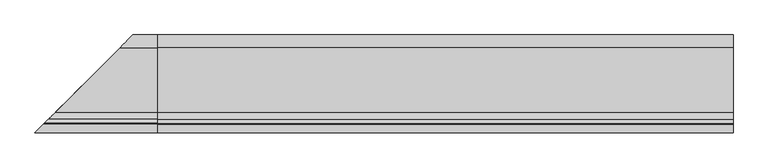
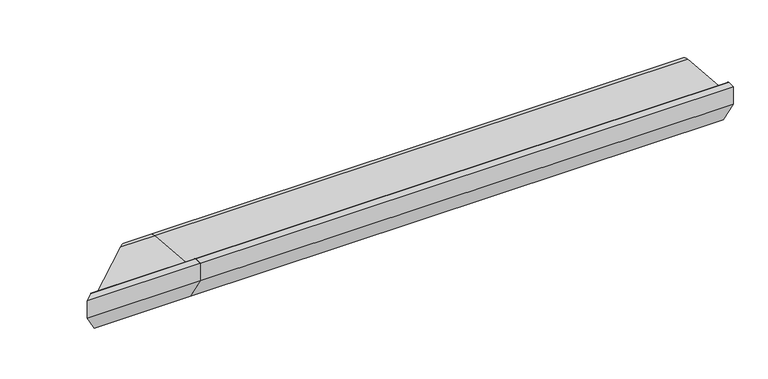
"""IFC4 building model written with IfcOpenShell, lengths in millimetres: proxy geometry."""

from ifc_helpers import new_model, si_unit, point, frame, frame_2d, origin, place, context, project, spatial, polyline, circle_curve, ellipse_curve, trimmed, segment, composite_curve, outline, extrude, source, transform, mapped, element, save
from ifc_brep_helpers import plane_surface, cylinder_surface, revolved_surface, advanced_brep


def generic_models_fa0b3f80(model_context):
    return source(origin(), model_context, "Body", "SolidModel", [
        advanced_brep(
        [(0.0, 28.0858073, 50.4091909), (0.0, -85.0967541, 60.2830933), (0.0, -96.6696696, 68.5358083), (0.0, -103.4717243, 83.8134733), (0.0, -105.2988152, 85.0), (0.0, -120.0, 85.0), (0.0, -120.0, 50.0), (0.0, -88.0, 0.0), (0.0, -76.0, 0.0), (0.0, -75.0, 1.0), (0.0, -75.0, 5.5), (0.0, -73.0, 7.5), (0.0, -35.0, 7.5), (0.0, -33.0, 5.5), (0.0, -33.0, 1.0), (0.0, -32.0, 0.0), (0.0, -0.5773503, 0.0), (0.0, 0.2886751, 0.5), (0.0, 3.7527767, 6.5), (0.0, 5.4848276, 7.5), (0.0, 21.9585481, 7.5), (0.0, 23.6905989, 6.5), (0.0, 25.7072001, 3.0071443), (0.0, 26.5981483, 2.5074549), (0.0, -9.5, 28.9289), (0.0, -9.5, 20.9289), (0.0, -21.5, 20.9289), (0.0, -21.5, 28.9289), (0.0, -51.5, 27.333), (0.0, -39.5, 27.333), (0.0, -84.0, 30.0), (0.0, -72.0, 30.0), (-65.4018517, 26.5981483, 2.5074549), (-63.9141927, 28.0858073, 50.4091909), (-66.2927999, 25.7072001, 3.0071443), (-68.3094011, 23.6905989, 6.5), (-70.0414519, 21.9585481, 7.5), (-86.5151724, 5.4848276, 7.5), (-88.2472233, 3.7527767, 6.5), (-91.7113249, 0.2886751, 0.5), (-92.5773503, -0.5773503, 0.0), (-124.0, -32.0, 0.0), (-125.0, -33.0, 1.0), (-125.0, -33.0, 5.5), (-127.0, -35.0, 7.5), (-165.0, -73.0, 7.5), (-167.0, -75.0, 5.5), (-167.0, -75.0, 1.0), (-168.0, -76.0, 0.0), (-180.0, -88.0, 0.0), (-212.0, -120.0, 50.0), (-212.0, -120.0, 85.0), (-197.2988152, -105.2988152, 85.0), (-195.4717243, -103.4717243, 83.8134733), (-188.6696696, -96.6696696, 68.5358083), (-177.0967541, -85.0967541, 60.2830933), (-113.5, -21.5, 28.9289), (-101.5, -9.5, 28.9289), (-113.5, -21.5, 20.9289), (-101.5, -9.5, 20.9289), (-131.5, -39.5, 27.333), (-143.5, -51.5, 27.333), (-164.0, -72.0, 30.0), (-176.0, -84.0, 30.0)],
        [
            (0, 1),
            (1, 2, circle_curve(frame((0.0, -83.8800332, 74.2301213), z_axis=(-1.0, 0.0, 0.0), x_axis=(0.0, 1.0, 0.0)), 14.0)),
            (2, 3),
            (3, 4, circle_curve(frame((0.0, -105.2988152, 83.0), z_axis=(1.0, 0.0, 0.0), x_axis=(0.0, 1.0, 0.0)), 2.0)),
            (4, 5),
            (5, 6),
            (6, 7),
            (7, 8),
            (8, 9, circle_curve(frame((0.0, -76.0, 1.0), z_axis=(1.0, 0.0, 0.0), x_axis=(0.0, 1.0, 0.0)), 1.0)),
            (9, 10),
            (10, 11, circle_curve(frame((0.0, -73.0, 5.5), z_axis=(-1.0, 0.0, 0.0), x_axis=(0.0, 1.0, 0.0)), 2.0)),
            (11, 12),
            (12, 13, circle_curve(frame((0.0, -35.0, 5.5), z_axis=(-1.0, 0.0, 0.0), x_axis=(0.0, 1.0, 0.0)), 2.0)),
            (13, 14),
            (14, 15, circle_curve(frame((0.0, -32.0, 1.0), z_axis=(1.0, 0.0, 0.0), x_axis=(0.0, 1.0, 0.0)), 1.0)),
            (15, 16),
            (16, 17, circle_curve(frame((0.0, -0.5773503, 1.0), z_axis=(1.0, 0.0, 0.0), x_axis=(0.0, 1.0, 0.0)), 1.0)),
            (17, 18),
            (18, 19, circle_curve(frame((0.0, 5.4848276, 5.5), z_axis=(-1.0, 0.0, 0.0), x_axis=(0.0, 1.0, 0.0)), 2.0)),
            (19, 20),
            (20, 21, circle_curve(frame((0.0, 21.9585481, 5.5), z_axis=(-1.0, 0.0, 0.0), x_axis=(0.0, 1.0, 0.0)), 2.0)),
            (21, 22),
            (22, 23, circle_curve(frame((0.0, 26.5732255, 3.5071443), z_axis=(1.0, 0.0, 0.0), x_axis=(0.0, 1.0, 0.0)), 1.0)),
            (23, 0, circle_curve(frame((0.0, 26.0, 26.5), z_axis=(1.0, 0.0, 0.0), x_axis=(0.0, 1.0, 0.0)), 24.0)),
            (24, 25),
            (25, 26),
            (26, 27),
            (27, 24),
            (28, 29, circle_curve(frame((0.0, -45.5, 27.333), z_axis=(-1.0, 0.0, 0.0), x_axis=(0.0, 1.0, 0.0)), 6.0)),
            (29, 28, circle_curve(frame((0.0, -45.5, 27.333), z_axis=(-1.0, 0.0, 0.0), x_axis=(0.0, 1.0, 0.0)), 6.0)),
            (30, 31, circle_curve(frame((0.0, -78.0, 30.0), z_axis=(-1.0, 0.0, 0.0), x_axis=(0.0, 1.0, 0.0)), 6.0)),
            (31, 30, circle_curve(frame((0.0, -78.0, 30.0), z_axis=(-1.0, 0.0, 0.0), x_axis=(0.0, 1.0, 0.0)), 6.0)),
            (23, 32),
            (32, 33, ellipse_curve(frame((-66.0, 26.0, 26.5), z_axis=(0.7071067811865469, -0.7071067811865482, 0.0), x_axis=(-0.707106781186548, -0.7071067811865469, 0.0)), 33.9411255, 24.0)),
            (33, 0),
            (22, 34),
            (34, 32, ellipse_curve(frame((-65.4267745, 26.5732255, 3.5071443), z_axis=(0.7071067811865469, -0.7071067811865482, 0.0), x_axis=(-0.707106781186548, -0.7071067811865469, 0.0)), 1.4142136, 1.0)),
            (21, 35),
            (35, 34),
            (20, 36),
            (36, 35, ellipse_curve(frame((-70.0414519, 21.9585481, 5.5), z_axis=(-0.7071067811865469, 0.7071067811865482, 0.0), x_axis=(0.707106781186548, 0.7071067811865469, 0.0)), 2.8284271, 2.0)),
            (19, 37),
            (37, 36),
            (18, 38),
            (38, 37, ellipse_curve(frame((-86.5151724, 5.4848276, 5.5), z_axis=(-0.7071067811865469, 0.7071067811865482, 0.0), x_axis=(0.707106781186548, 0.7071067811865469, 0.0)), 2.8284271, 2.0)),
            (17, 39),
            (39, 38),
            (16, 40),
            (40, 39, ellipse_curve(frame((-92.5773503, -0.5773503, 1.0), z_axis=(0.7071067811865469, -0.7071067811865482, 0.0), x_axis=(-0.707106781186548, -0.7071067811865469, 0.0)), 1.4142136, 1.0)),
            (15, 41),
            (41, 40),
            (14, 42),
            (42, 41, ellipse_curve(frame((-124.0, -32.0, 1.0), z_axis=(0.7071067811865469, -0.7071067811865482, 0.0), x_axis=(-0.707106781186548, -0.7071067811865469, 0.0)), 1.4142136, 1.0)),
            (13, 43),
            (43, 42),
            (12, 44),
            (44, 43, ellipse_curve(frame((-127.0, -35.0, 5.5), z_axis=(-0.7071067811865469, 0.7071067811865482, 0.0), x_axis=(0.707106781186548, 0.7071067811865469, 0.0)), 2.8284271, 2.0)),
            (11, 45),
            (45, 44),
            (10, 46),
            (46, 45, ellipse_curve(frame((-165.0, -73.0, 5.5), z_axis=(-0.7071067811865469, 0.7071067811865482, 0.0), x_axis=(0.707106781186548, 0.7071067811865469, 0.0)), 2.8284271, 2.0)),
            (9, 47),
            (47, 46),
            (8, 48),
            (48, 47, ellipse_curve(frame((-168.0, -76.0, 1.0), z_axis=(0.7071067811865469, -0.7071067811865482, 0.0), x_axis=(-0.707106781186548, -0.7071067811865469, 0.0)), 1.4142136, 1.0)),
            (7, 49),
            (49, 48),
            (6, 50),
            (50, 49),
            (5, 51),
            (51, 50),
            (4, 52),
            (52, 51),
            (3, 53),
            (53, 52, ellipse_curve(frame((-197.2988152, -105.2988152, 83.0), z_axis=(0.7071067811865469, -0.7071067811865482, 0.0), x_axis=(-0.707106781186548, -0.7071067811865469, 0.0)), 2.8284271, 2.0)),
            (2, 54),
            (54, 53),
            (1, 55),
            (55, 54, ellipse_curve(frame((-175.8800332, -83.8800332, 74.2301213), z_axis=(-0.7071067811865469, 0.7071067811865482, 0.0), x_axis=(0.707106781186548, 0.7071067811865469, 0.0)), 19.7989899, 14.0)),
            (33, 55),
            (27, 56),
            (56, 57),
            (57, 24),
            (26, 58),
            (58, 56),
            (25, 59),
            (59, 58),
            (57, 59),
            (29, 60),
            (60, 61, ellipse_curve(frame((-137.5, -45.5, 27.333), z_axis=(-0.7071067811865469, 0.7071067811865482, 0.0), x_axis=(0.707106781186548, 0.7071067811865469, 0.0)), 8.4852814, 6.0)),
            (61, 28),
            (61, 60, ellipse_curve(frame((-137.5, -45.5, 27.333), z_axis=(-0.7071067811865469, 0.7071067811865482, 0.0), x_axis=(0.707106781186548, 0.7071067811865469, 0.0)), 8.4852814, 6.0)),
            (31, 62),
            (62, 63, ellipse_curve(frame((-170.0, -78.0, 30.0), z_axis=(-0.7071067811865469, 0.7071067811865482, 0.0), x_axis=(0.707106781186548, 0.7071067811865469, 0.0)), 8.4852814, 6.0)),
            (63, 30),
            (63, 62, ellipse_curve(frame((-170.0, -78.0, 30.0), z_axis=(-0.7071067811865469, 0.7071067811865482, 0.0), x_axis=(0.707106781186548, 0.7071067811865469, 0.0)), 8.4852814, 6.0)),
        ],
        [
            plane_surface(frame((0.0, 0.0, 0.0), z_axis=(1.0, 0.0, 0.0), x_axis=(0.0, 0.0, 1.0))),
            cylinder_surface(frame((-212.0, 26.0, 26.5), z_axis=(-1.0, 0.0, 0.0), x_axis=(0.0, 1.0, 0.0)), 24.0),
            cylinder_surface(frame((-212.0, 26.5732255, 3.5071443), z_axis=(-1.0, 0.0, 0.0), x_axis=(0.0, 1.0, 0.0)), 1.0),
            plane_surface(frame((-212.0, 25.7072001, 3.0071443), z_axis=(0.0, -0.8660254037844404, -0.4999999999999971), x_axis=(1.0, 0.0, 0.0))),
            revolved_surface(polyline([(0.0, 23.9585481, 5.5), (-72.0414518825018, 23.9585481, 5.5)]), (-212.0, 21.9585481, 5.5), (1.0, 0.0, 0.0)),
            plane_surface(frame((-212.0, 21.9585481, 7.5), z_axis=(0.0, 0.0, -1.0), x_axis=(1.0, 0.0, 0.0))),
            revolved_surface(polyline([(0.0, 7.4848276, 5.5), (-88.5151723825018, 7.4848276, 5.5)]), (-212.0, 5.4848276, 5.5), (1.0, 0.0, 0.0)),
            plane_surface(frame((-212.0, 3.7527767, 6.5), z_axis=(0.0, 0.8660254037844436, -0.4999999999999914), x_axis=(1.0, 0.0, 0.0))),
            cylinder_surface(frame((-212.0, -0.5773503, 1.0), z_axis=(-1.0, 0.0, 0.0), x_axis=(0.0, 1.0, 0.0)), 1.0),
            plane_surface(frame((-212.0, -0.5773503, 0.0), z_axis=(0.0, 0.0, -1.0), x_axis=(1.0, 0.0, 0.0))),
            cylinder_surface(frame((-212.0, -32.0, 1.0), z_axis=(-1.0, 0.0, 0.0), x_axis=(0.0, 1.0, 0.0)), 1.0),
            plane_surface(frame((-212.0, -33.0, 1.0), z_axis=(0.0, -1.0, 0.0), x_axis=(1.0, 0.0, 0.0))),
            revolved_surface(polyline([(0.0, -33.0, 5.5), (-128.9999999825018, -33.0, 5.5)]), (-212.0, -35.0, 5.5), (1.0, 0.0, 0.0)),
            plane_surface(frame((-212.0, -35.0, 7.5), z_axis=(0.0, 0.0, -1.0), x_axis=(1.0, 0.0, 0.0))),
            revolved_surface(polyline([(0.0, -71.0, 5.5), (-167.0, -71.0, 5.5)]), (-212.0, -73.0, 5.5), (1.0, 0.0, 0.0)),
            plane_surface(frame((-212.0, -75.0, 5.5), z_axis=(0.0, 1.0, 0.0), x_axis=(1.0, 0.0, 0.0))),
            cylinder_surface(frame((-212.0, -76.0, 1.0), z_axis=(-1.0, 0.0, 0.0), x_axis=(0.0, 1.0, 0.0)), 1.0),
            plane_surface(frame((-212.0, -76.0, 0.0), z_axis=(0.0, 0.0, -1.0), x_axis=(1.0, 0.0, 0.0))),
            plane_surface(frame((-212.0, -88.0, 0.0), z_axis=(0.0, -0.8422714006615114, -0.5390536964233673), x_axis=(1.0, 0.0, 0.0))),
            plane_surface(frame((-212.0, -120.0, 50.0), z_axis=(0.0, -1.0, 0.0), x_axis=(1.0, 0.0, 0.0))),
            plane_surface(frame((-212.0, -120.0, 85.0), z_axis=(0.0, 0.0, 1.0), x_axis=(1.0, 0.0, 0.0))),
            cylinder_surface(frame((-212.0, -105.2988152, 83.0), z_axis=(-1.0, 0.0, 0.0), x_axis=(0.0, 1.0, 0.0)), 2.0),
            plane_surface(frame((-212.0, -103.4717243, 83.8134733), z_axis=(0.0, 0.9135454576426015, 0.406736643075799), x_axis=(1.0, 0.0, 0.0))),
            revolved_surface(polyline([(0.0, -69.8800332, 74.2301213), (-189.880033218934, -69.8800332, 74.2301213)]), (-212.0, -83.8800332, 74.2301213), (1.0, 0.0, 0.0)),
            plane_surface(frame((-212.0, -85.0967541, 60.2830933), z_axis=(0.0, 0.08690863944627715, 0.9962162859487879), x_axis=(1.0, 0.0, 0.0))),
            plane_surface(frame((-212.0, -9.5, 28.9289), z_axis=(0.0, 0.0, -1.0), x_axis=(1.0, 0.0, 0.0))),
            plane_surface(frame((-212.0, -21.5, 28.9289), z_axis=(0.0, 1.0, 0.0), x_axis=(1.0, 0.0, 0.0))),
            plane_surface(frame((-212.0, -21.5, 20.9289), z_axis=(0.0, 0.0, 1.0), x_axis=(1.0, 0.0, 0.0))),
            plane_surface(frame((-212.0, -9.5, 20.9289), z_axis=(0.0, -1.0, 0.0), x_axis=(1.0, 0.0, 0.0))),
            revolved_surface(polyline([(0.0, -39.5, 27.333), (-143.5000000182161, -39.5, 27.333)]), (-212.0, -45.5, 27.333), (1.0, 0.0, 0.0)),
            revolved_surface(polyline([(0.0, -72.0, 30.0), (-176.0000000182161, -72.0, 30.0)]), (-212.0, -78.0, 30.0), (1.0, 0.0, 0.0)),
            plane_surface(frame((-13.7157288, 78.2842712, 110.0), z_axis=(-0.7071067811865469, 0.7071067811865482, 0.0), x_axis=(-0.7071067811865482, -0.7071067811865469, 0.0))),
        ],
        [
            (0, [[1, 2, 3, 4, 5, 6, 7, 8, 9, 10, 11, 12, 13, 14, 15, 16, 17, 18, 19, 20, 21, 22, 23, 24], [25, 26, 27, 28], [29, 30], [31, 32]]),
            (1, [[-24, 33, 34, 35]]),
            (2, [[-23, 36, 37, -33]]),
            (3, [[-22, 38, 39, -36]]),
            (4, [[-21, 40, 41, -38]]),
            (5, [[-20, 42, 43, -40]]),
            (6, [[-19, 44, 45, -42]]),
            (7, [[-18, 46, 47, -44]]),
            (8, [[-17, 48, 49, -46]]),
            (9, [[-16, 50, 51, -48]]),
            (10, [[-15, 52, 53, -50]]),
            (11, [[-14, 54, 55, -52]]),
            (12, [[-13, 56, 57, -54]]),
            (13, [[-12, 58, 59, -56]]),
            (14, [[-11, 60, 61, -58]]),
            (15, [[-10, 62, 63, -60]]),
            (16, [[-9, 64, 65, -62]]),
            (17, [[-8, 66, 67, -64]]),
            (18, [[-7, 68, 69, -66]]),
            (19, [[-6, 70, 71, -68]]),
            (20, [[-5, 72, 73, -70]]),
            (21, [[-4, 74, 75, -72]]),
            (22, [[-3, 76, 77, -74]]),
            (23, [[-2, 78, 79, -76]]),
            (24, [[-1, -35, 80, -78]]),
            (25, [[-28, 81, 82, 83]]),
            (26, [[-27, 84, 85, -81]]),
            (27, [[-26, 86, 87, -84]]),
            (28, [[-25, -83, 88, -86]]),
            (29, [[-30, 89, 90, 91]]),
            (29, [[-29, -91, 92, -89]]),
            (30, [[-32, 93, 94, 95]]),
            (30, [[-31, -95, 96, -93]]),
            (31, [[-34, -37, -39, -41, -43, -45, -47, -49, -51, -53, -55, -57, -59, -61, -63, -65, -67, -69, -71, -73, -75, -77, -79, -80], [-82, -85, -87, -88], [-90, -92], [-94, -96]]),
        ],
    ),
        extrude(outline(composite_curve([segment(trimmed(circle_curve(frame_2d((26.0, 26.5)), 24.0), [point((28.0858073, 50.4091909))], [point((26.5981483, 2.5074549))], False, "CARTESIAN"), True, "CONTINUOUS"), segment(trimmed(circle_curve(frame_2d((26.5732255, 3.5071443)), 1.0), [point((26.5981483, 2.5074549))], [point((25.7072001, 3.0071443))], False, "CARTESIAN"), True, "CONTINUOUS"), segment(polyline([(25.7072001, 3.0071443), (23.6905989, 6.5)]), True, "CONTINUOUS"), segment(trimmed(circle_curve(frame_2d((21.9585481, 5.5)), 2.0), [point((23.6905989, 6.5))], [point((21.9585481, 7.5))], True, "CARTESIAN"), True, "CONTINUOUS"), segment(polyline([(21.9585481, 7.5), (5.4848276, 7.5)]), True, "CONTINUOUS"), segment(trimmed(circle_curve(frame_2d((5.4848276, 5.5)), 2.0), [point((5.4848276, 7.5))], [point((3.7527767, 6.5))], True, "CARTESIAN"), True, "CONTINUOUS"), segment(polyline([(3.7527767, 6.5), (0.2886751, 0.5)]), True, "CONTINUOUS"), segment(trimmed(circle_curve(frame_2d((-0.5773503, 1.0)), 1.0), [point((0.2886751, 0.5))], [point((-0.5773503, 0.0))], False, "CARTESIAN"), True, "CONTINUOUS"), segment(polyline([(-0.5773503, 0.0), (-32.0, 0.0)]), True, "CONTINUOUS"), segment(trimmed(circle_curve(frame_2d((-32.0, 1.0)), 1.0), [point((-32.0, 0.0))], [point((-33.0, 1.0))], False, "CARTESIAN"), True, "CONTINUOUS"), segment(polyline([(-33.0, 1.0), (-33.0, 5.5)]), True, "CONTINUOUS"), segment(trimmed(circle_curve(frame_2d((-35.0, 5.5)), 2.0), [point((-33.0, 5.5))], [point((-35.0, 7.5))], True, "CARTESIAN"), True, "CONTINUOUS"), segment(polyline([(-35.0, 7.5), (-73.0, 7.5)]), True, "CONTINUOUS"), segment(trimmed(circle_curve(frame_2d((-73.0, 5.5)), 2.0), [point((-73.0, 7.5))], [point((-75.0, 5.5))], True, "CARTESIAN"), True, "CONTINUOUS"), segment(polyline([(-75.0, 5.5), (-75.0, 1.0)]), True, "CONTINUOUS"), segment(trimmed(circle_curve(frame_2d((-76.0, 1.0)), 1.0), [point((-75.0, 1.0))], [point((-76.0, 0.0))], False, "CARTESIAN"), True, "CONTINUOUS"), segment(polyline([(-76.0, 0.0), (-88.0, 0.0), (-120.0, 50.0), (-120.0, 85.0), (-105.2988152, 85.0)]), True, "CONTINUOUS"), segment(trimmed(circle_curve(frame_2d((-105.2988152, 83.0)), 2.0), [point((-105.2988152, 85.0))], [point((-103.4717243, 83.8134733))], False, "CARTESIAN"), True, "CONTINUOUS"), segment(polyline([(-103.4717243, 83.8134733), (-96.6696696, 68.5358083)]), True, "CONTINUOUS"), segment(trimmed(circle_curve(frame_2d((-83.8800332, 74.2301213)), 14.0), [point((-96.6696696, 68.5358083))], [point((-85.0967541, 60.2830933))], True, "CARTESIAN"), True, "CONTINUOUS"), segment(polyline([(-85.0967541, 60.2830933), (28.0858073, 50.4091909)]), True, "CONTINUOUS")], self_intersect=False), holes=[polyline([(-9.5, 28.9289), (-21.5, 28.9289), (-21.5, 20.9289), (-9.5, 20.9289), (-9.5, 28.9289)]), composite_curve([segment(trimmed(circle_curve(frame_2d((-45.5, 27.333)), 6.0), [point((-51.5, 27.333))], [point((-39.5, 27.333))], True, "CARTESIAN"), True, "CONTINUOUS"), segment(trimmed(circle_curve(frame_2d((-45.5, 27.333)), 6.0), [point((-39.5, 27.333))], [point((-51.5, 27.333))], True, "CARTESIAN"), True, "CONTINUOUS")], self_intersect=False), composite_curve([segment(trimmed(circle_curve(frame_2d((-78.0, 30.0)), 6.0), [point((-84.0, 30.0))], [point((-72.0, 30.0))], True, "CARTESIAN"), True, "CONTINUOUS"), segment(trimmed(circle_curve(frame_2d((-78.0, 30.0)), 6.0), [point((-72.0, 30.0))], [point((-84.0, 30.0))], True, "CARTESIAN"), True, "CONTINUOUS")], self_intersect=False)]), frame((0.0, 0.0, 0.0), z_axis=(1.0, 0.0, 0.0), x_axis=(0.0, 1.0, 0.0)), (0.0, 0.0, 1.0), 1000.0),
    ])


if __name__ == "__main__":
    model = new_model("IFC4")
    model_context = context("Model", 3, world=origin())
    ifc_project = project(units=[si_unit("LENGTHUNIT", "METRE", prefix="MILLI")], contexts=[model_context])
    site = spatial("IfcSite", under=ifc_project)
    building = spatial("IfcBuilding", under=site)
    placement = place(None, origin())
    generic_models_shape = generic_models_fa0b3f80(model_context)
    element("IfcBuildingElementProxy", 1, Name="Generic Models", at=placement, inside=building, context=model_context, shape_type="MappedRepresentation", body=[
        mapped(generic_models_shape, transform((0.0, 0.0, 0.0), x_axis=(1.0, 0.0, 0.0), y_axis=(0.0, 1.0, 0.0), z_axis=(0.0, 0.0, 1.0))),
    ])
    save(model, "model.ifc")
